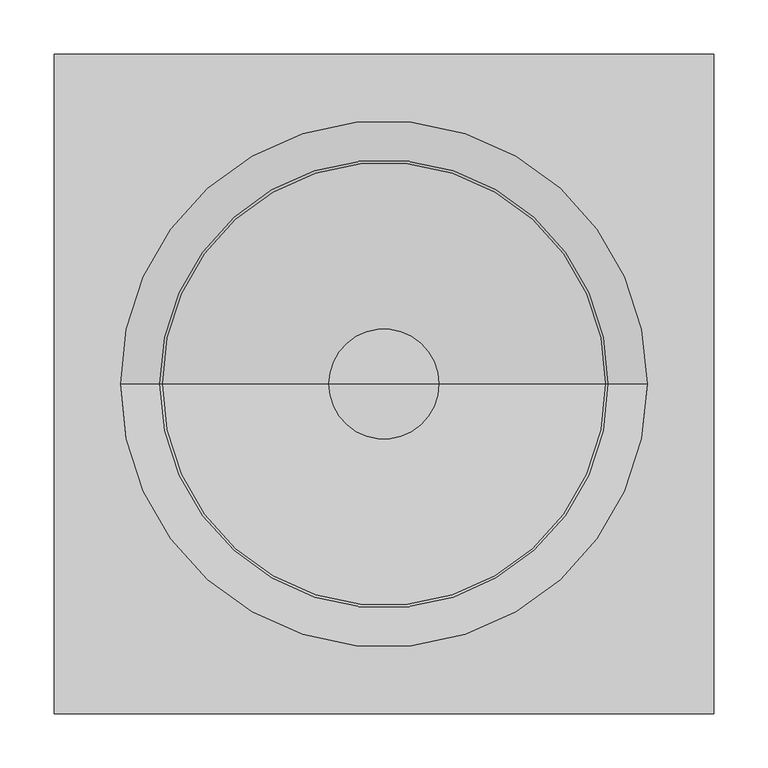
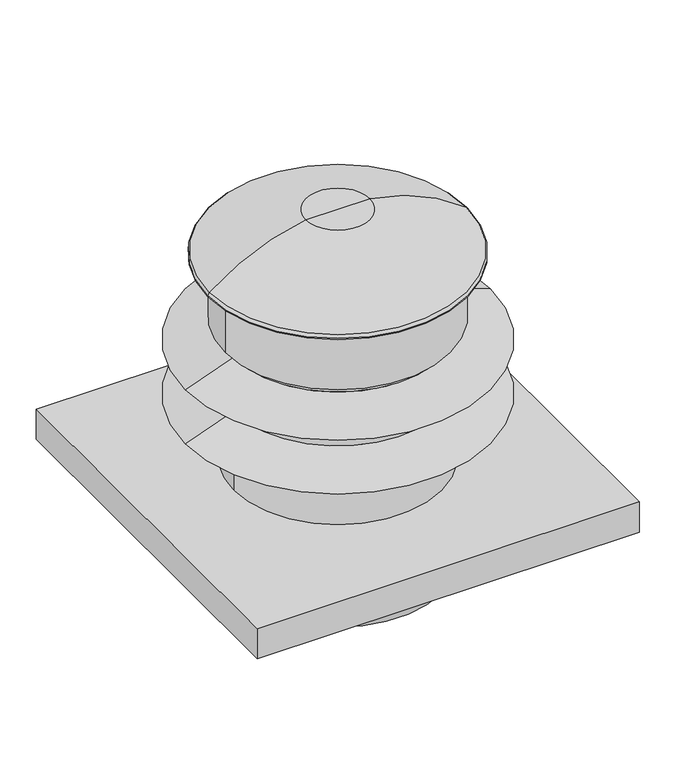
"""IFC4 building model written with IfcOpenShell, lengths in millimetres: proxy geometry."""

from ifc_helpers import new_model, si_unit, point, frame, origin, origin_with_axes, origin_2d, place, context, project, spatial, polyline, circle_curve, ellipse_curve, trimmed, segment, composite_curve, outline, extrude, source, transform, mapped, element, save
from ifc_brep_helpers import plane_surface, cylinder_surface, revolved_surface, advanced_brep


def generic_models_3993ca2f(model_context):
    return source(origin(), model_context, "Body", "SolidModel", [
        extrude(outline(composite_curve([segment(trimmed(circle_curve(origin_2d(), 165.1), [point((-165.1, 0.0))], [point((165.1, 0.0))], False, "CARTESIAN"), True, "CONTINUOUS"), segment(trimmed(circle_curve(origin_2d(), 165.1), [point((165.1, 0.0))], [point((-165.1, 0.0))], False, "CARTESIAN"), True, "CONTINUOUS")], self_intersect=False)), frame((0.0, 0.0, -123.03125), z_axis=(0.0, 0.0, 1.0), x_axis=(1.0, 0.0, 0.0)), (0.0, 0.0, 1.0), 123.03125),
        advanced_brep(
        [(50.795561, 0.0, 466.0888), (-50.795561, 0.0, 466.0888), (0.0, 0.0, 466.0888), (204.6272134, 0.0, 398.1636247), (-204.6272134, 0.0, 398.1636247), (207.005561, 0.0, 393.2089827), (-207.005561, 0.0, 393.2089827), (207.005561, 0.0, 391.288975), (-207.005561, 0.0, 391.288975), (179.445427, 0.0, 391.288975), (-179.445427, 0.0, 391.288975), (179.445427, 0.0, 287.5014), (-179.445427, 0.0, 287.5014), (166.8735605, 0.0, 287.5014), (-166.8735605, 0.0, 287.5014), (166.8735605, 0.0, 274.8014137), (-166.8735605, 0.0, 274.8014137), (243.2628806, 0.0, 246.9979749), (-243.2628806, 0.0, 246.9979749), (166.8735605, 0.0, 246.9979749), (-166.8735605, 0.0, 246.9979749), (166.8735605, 0.0, 184.0231581), (-166.8735605, 0.0, 184.0231581), (243.2628789, 0.0, 156.21972), (-243.2628789, 0.0, 156.21972), (165.857561, 0.0, 156.21972), (-165.857561, 0.0, 156.21972), (165.857561, 0.0, 50.8), (-165.857561, 0.0, 50.8), (0.0, 0.0, 50.8)],
        [
            (0, 1, circle_curve(frame((0.0, 0.0, 466.0888), z_axis=(0.0, 0.0, 1.0), x_axis=(-1.0, 0.0, 0.0)), 50.795561)),
            (1, 2),
            (2, 0),
            (1, 0, circle_curve(frame((0.0, 0.0, 466.0888), z_axis=(0.0, 0.0, 1.0), x_axis=(-1.0, 0.0, 0.0)), 50.795561)),
            (3, 4, circle_curve(frame((0.0, 0.0, 398.1636247), z_axis=(0.0, 0.0, 1.0), x_axis=(-1.0, 0.0, 0.0)), 204.6272134)),
            (4, 1, circle_curve(frame((0.004439, 0.0, 142.8853455), z_axis=(0.0, 1.0, 0.0), x_axis=(1.0, 0.0, 0.0)), 327.1713817)),
            (0, 3, circle_curve(frame((-0.004439, 0.0, 142.8853455), z_axis=(0.0, 1.0, 0.0), x_axis=(-1.0, 0.0, 0.0)), 327.1713817)),
            (4, 3, circle_curve(frame((0.0, 0.0, 398.1636247), z_axis=(0.0, 0.0, 1.0), x_axis=(-1.0, 0.0, 0.0)), 204.6272134)),
            (5, 6, circle_curve(frame((0.0, 0.0, 393.2089827), z_axis=(0.0, 0.0, 1.0), x_axis=(-1.0, 0.0, 0.0)), 207.005561)),
            (6, 4, circle_curve(frame((-200.655561, 0.0, 393.2089827), z_axis=(0.0, 1.0, 0.0), x_axis=(1.0, 0.0, 0.0)), 6.35)),
            (3, 5, circle_curve(frame((200.655561, 0.0, 393.2089827), z_axis=(0.0, 1.0, 0.0), x_axis=(-1.0, 0.0, 0.0)), 6.35)),
            (6, 5, circle_curve(frame((0.0, 0.0, 393.2089827), z_axis=(0.0, 0.0, 1.0), x_axis=(-1.0, 0.0, 0.0)), 207.005561)),
            (7, 8, circle_curve(frame((0.0, 0.0, 391.288975), z_axis=(0.0, 0.0, 1.0), x_axis=(-1.0, 0.0, 0.0)), 207.005561)),
            (8, 6),
            (5, 7),
            (8, 7, circle_curve(frame((0.0, 0.0, 391.288975), z_axis=(0.0, 0.0, 1.0), x_axis=(-1.0, 0.0, 0.0)), 207.005561)),
            (9, 10, circle_curve(frame((0.0, 0.0, 391.288975), z_axis=(0.0, 0.0, 1.0), x_axis=(-1.0, 0.0, 0.0)), 179.445427)),
            (10, 8),
            (7, 9),
            (10, 9, circle_curve(frame((0.0, 0.0, 391.288975), z_axis=(0.0, 0.0, 1.0), x_axis=(-1.0, 0.0, 0.0)), 179.445427)),
            (11, 12, circle_curve(frame((0.0, 0.0, 287.5014), z_axis=(0.0, 0.0, 1.0), x_axis=(-1.0, 0.0, 0.0)), 179.445427)),
            (12, 10),
            (9, 11),
            (12, 11, circle_curve(frame((0.0, 0.0, 287.5014), z_axis=(0.0, 0.0, 1.0), x_axis=(-1.0, 0.0, 0.0)), 179.445427)),
            (13, 14, circle_curve(frame((0.0, 0.0, 287.5014), z_axis=(0.0, 0.0, 1.0), x_axis=(-1.0, 0.0, 0.0)), 166.8735605)),
            (14, 12),
            (11, 13),
            (14, 13, circle_curve(frame((0.0, 0.0, 287.5014), z_axis=(0.0, 0.0, 1.0), x_axis=(-1.0, 0.0, 0.0)), 166.8735605)),
            (15, 16, circle_curve(frame((0.0, 0.0, 274.8014137), z_axis=(0.0, 0.0, 1.0), x_axis=(-1.0, 0.0, 0.0)), 166.8735605)),
            (16, 14),
            (13, 15),
            (16, 15, circle_curve(frame((0.0, 0.0, 274.8014137), z_axis=(0.0, 0.0, 1.0), x_axis=(-1.0, 0.0, 0.0)), 166.8735605)),
            (17, 18, circle_curve(frame((0.0, 0.0, 246.9979749), z_axis=(0.0, 0.0, 1.0), x_axis=(-1.0, 0.0, 0.0)), 243.2628806)),
            (18, 16),
            (15, 17),
            (18, 17, circle_curve(frame((0.0, 0.0, 246.9979749), z_axis=(0.0, 0.0, 1.0), x_axis=(-1.0, 0.0, 0.0)), 243.2628806)),
            (19, 20, circle_curve(frame((0.0, 0.0, 246.9979749), z_axis=(0.0, 0.0, 1.0), x_axis=(-1.0, 0.0, 0.0)), 166.8735605)),
            (20, 18),
            (17, 19),
            (20, 19, circle_curve(frame((0.0, 0.0, 246.9979749), z_axis=(0.0, 0.0, 1.0), x_axis=(-1.0, 0.0, 0.0)), 166.8735605)),
            (21, 22, circle_curve(frame((0.0, 0.0, 184.0231581), z_axis=(0.0, 0.0, 1.0), x_axis=(-1.0, 0.0, 0.0)), 166.8735605)),
            (22, 20),
            (19, 21),
            (22, 21, circle_curve(frame((0.0, 0.0, 184.0231581), z_axis=(0.0, 0.0, 1.0), x_axis=(-1.0, 0.0, 0.0)), 166.8735605)),
            (23, 24, circle_curve(frame((0.0, 0.0, 156.21972), z_axis=(0.0, 0.0, 1.0), x_axis=(-1.0, 0.0, 0.0)), 243.2628789)),
            (24, 22),
            (21, 23),
            (24, 23, circle_curve(frame((0.0, 0.0, 156.21972), z_axis=(0.0, 0.0, 1.0), x_axis=(-1.0, 0.0, 0.0)), 243.2628789)),
            (25, 26, circle_curve(frame((0.0, 0.0, 156.21972), z_axis=(0.0, 0.0, 1.0), x_axis=(-1.0, 0.0, 0.0)), 165.857561)),
            (26, 24),
            (23, 25),
            (26, 25, circle_curve(frame((0.0, 0.0, 156.21972), z_axis=(0.0, 0.0, 1.0), x_axis=(-1.0, 0.0, 0.0)), 165.857561)),
            (27, 28, circle_curve(frame((0.0, 0.0, 50.8), z_axis=(0.0, 0.0, 1.0), x_axis=(-1.0, 0.0, 0.0)), 165.857561)),
            (28, 26),
            (25, 27),
            (28, 27, circle_curve(frame((0.0, 0.0, 50.8), z_axis=(0.0, 0.0, 1.0), x_axis=(-1.0, 0.0, 0.0)), 165.857561)),
            (29, 28),
            (27, 29),
        ],
        [
            plane_surface(frame((0.0, 0.0, 466.0888), z_axis=(0.0, 0.0, 1.0), x_axis=(-1.0, 0.0, 0.0))),
            revolved_surface(trimmed(ellipse_curve(frame((0.004439, 0.0, 142.8853455), z_axis=(0.0, -1.0, 0.0), x_axis=(1.0, 0.0, 0.0)), 327.1713817, 327.1713817), [point((-50.795561, 0.0, 466.0888))], [point((-204.6272134, 0.0, 398.1636247))], True, "CARTESIAN"), (0.0, 0.0, -123.03125), (0.0, 0.0, -1.0)),
            revolved_surface(trimmed(ellipse_curve(frame((-200.655561, 0.0, 393.2089827), z_axis=(0.0, -1.0, 0.0), x_axis=(1.0, 0.0, 0.0)), 6.35, 6.35), [point((-204.6272134, 0.0, 398.1636247))], [point((-207.005561, 0.0, 393.2089827))], True, "CARTESIAN"), (0.0, 0.0, -123.03125), (0.0, 0.0, -1.0)),
            cylinder_surface(frame((0.0, 0.0, -123.03125), z_axis=(0.0, 0.0, -1.0), x_axis=(-1.0, 0.0, 0.0)), 207.005561),
            plane_surface(frame((0.0, 0.0, 391.288975), z_axis=(0.0, 0.0, -1.0), x_axis=(-1.0, 0.0, 0.0))),
            cylinder_surface(frame((0.0, 0.0, -123.03125), z_axis=(0.0, 0.0, -1.0), x_axis=(-1.0, 0.0, 0.0)), 179.445427),
            plane_surface(frame((0.0, 0.0, 287.5014), z_axis=(0.0, 0.0, -1.0), x_axis=(-1.0, 0.0, 0.0))),
            cylinder_surface(frame((0.0, 0.0, -123.03125), z_axis=(0.0, 0.0, -1.0), x_axis=(-1.0, 0.0, 0.0)), 166.8735605),
            revolved_surface(polyline([(-166.8735605, 0.0, 274.8014137), (-243.2628806, 0.0, 246.9979749)]), (0.0, 0.0, -123.03125), (0.0, 0.0, -1.0)),
            plane_surface(frame((0.0, 0.0, 246.9979749), z_axis=(0.0, 0.0, -1.0), x_axis=(-1.0, 0.0, 0.0))),
            revolved_surface(polyline([(-166.8735605, 0.0, 184.0231581), (-243.2628789, 0.0, 156.21972)]), (0.0, 0.0, -123.03125), (0.0, 0.0, -1.0)),
            plane_surface(frame((0.0, 0.0, 156.21972), z_axis=(0.0, 0.0, -1.0), x_axis=(-1.0, 0.0, 0.0))),
            cylinder_surface(frame((0.0, 0.0, -123.03125), z_axis=(0.0, 0.0, -1.0), x_axis=(-1.0, 0.0, 0.0)), 165.857561),
            plane_surface(frame((0.0, 0.0, 50.8), z_axis=(0.0, 0.0, -1.0), x_axis=(-1.0, 0.0, 0.0))),
        ],
        [
            (0, [[1, 2, 3]]),
            (0, [[4, -3, -2]]),
            (1, [[5, 6, -1, 7]]),
            (1, [[8, -7, -4, -6]]),
            (2, [[9, 10, -5, 11]]),
            (2, [[12, -11, -8, -10]]),
            (3, [[13, 14, -9, 15]]),
            (3, [[16, -15, -12, -14]]),
            (4, [[17, 18, -13, 19]]),
            (4, [[20, -19, -16, -18]]),
            (5, [[21, 22, -17, 23]]),
            (5, [[24, -23, -20, -22]]),
            (6, [[25, 26, -21, 27]]),
            (6, [[28, -27, -24, -26]]),
            (7, [[29, 30, -25, 31]]),
            (7, [[32, -31, -28, -30]]),
            (8, [[33, 34, -29, 35]]),
            (8, [[36, -35, -32, -34]]),
            (9, [[37, 38, -33, 39]]),
            (9, [[40, -39, -36, -38]]),
            (7, [[41, 42, -37, 43]]),
            (7, [[44, -43, -40, -42]]),
            (10, [[45, 46, -41, 47]]),
            (10, [[48, -47, -44, -46]]),
            (11, [[49, 50, -45, 51]]),
            (11, [[52, -51, -48, -50]]),
            (12, [[53, 54, -49, 55]]),
            (12, [[56, -55, -52, -54]]),
            (13, [[57, -53, 58]]),
            (13, [[-58, -56, -57]]),
        ],
    ),
        extrude(outline(polyline([(304.8, 304.8), (304.8, -304.8), (-304.8, -304.8), (-304.8, 304.8), (304.8, 304.8)])), origin_with_axes(), (0.0, 0.0, 1.0), 50.8),
    ])


if __name__ == "__main__":
    model = new_model("IFC4")
    model_context = context("Model", 3, world=origin())
    ifc_project = project(units=[si_unit("LENGTHUNIT", "METRE", prefix="MILLI")], contexts=[model_context])
    site = spatial("IfcSite", under=ifc_project)
    building = spatial("IfcBuilding", under=site)
    placement = place(None, origin())
    generic_models_shape = generic_models_3993ca2f(model_context)
    element("IfcBuildingElementProxy", 1, Name="Generic Models", at=placement, inside=building, context=model_context, shape_type="MappedRepresentation", body=[
        mapped(generic_models_shape, transform((0.0, 0.0, 0.0), x_axis=(1.0, 0.0, 0.0), y_axis=(0.0, 1.0, 0.0), z_axis=(0.0, 0.0, 1.0))),
    ])
    save(model, "model.ifc")
